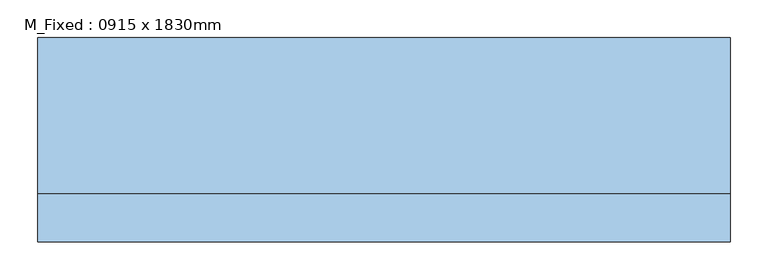
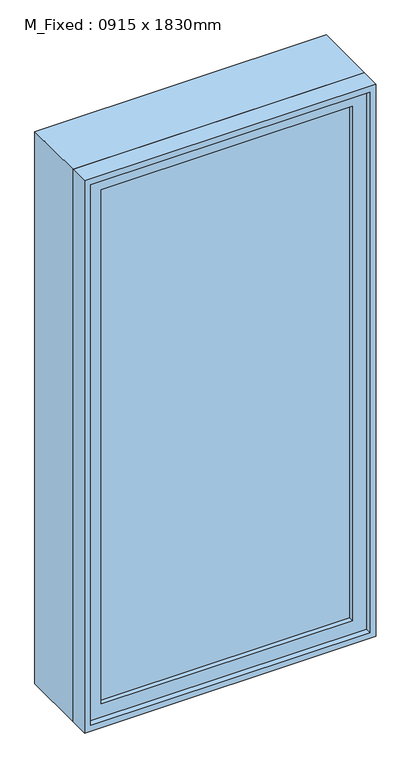
"""IFC4 building model written with IfcOpenShell, lengths in millimetres: window geometry, M_Fixed : 0915 x 1830mm."""

from ifc_helpers import new_model, si_unit, frame, origin, place, context, project, spatial, polyline, outline, extrude, source, transform, mapped, element, save


def m_fixed_0915_x_1830mm_71350e08(model_context):
    return source(origin(), model_context, "Body", "SweptSolid", [
        extrude(outline(polyline([(-394.5, -113.0), (-394.5, -101.0), (394.5, -101.0), (394.5, -113.0), (-394.5, -113.0)])), frame((0.0, 0.0, 368.0), z_axis=(0.0, 0.0, 1.0), x_axis=(1.0, 0.0, 0.0)), (0.0, 0.0, 1.0), 1704.0),
        extrude(outline(polyline([(2116.0, -438.5), (324.0, -438.5), (324.0, 438.5), (2116.0, 438.5), (2116.0, -438.5)]), holes=[polyline([(2072.0, -394.5), (2072.0, 394.5), (368.0, 394.5), (368.0, -394.5), (2072.0, -394.5)])]), frame((0.0, -129.0, 0.0), z_axis=(0.0, 1.0, 0.0), x_axis=(0.0, 0.0, 1.0)), (0.0, 0.0, 1.0), 44.0),
        extrude(outline(polyline([(2135.0, -457.5), (305.0, -457.5), (305.0, 457.5), (2135.0, 457.5), (2135.0, -457.5)]), holes=[polyline([(2116.0, -438.5), (2116.0, 438.5), (324.0, 438.5), (324.0, -438.5), (2116.0, -438.5)])]), frame((0.0, -148.0, 0.0), z_axis=(0.0, 1.0, 0.0), x_axis=(0.0, 0.0, 1.0)), (0.0, 0.0, 1.0), 63.0),
        extrude(outline(polyline([(2135.0, -457.5), (305.0, -457.5), (305.0, 457.5), (2135.0, 457.5), (2135.0, -457.5)]), holes=[polyline([(2103.0, -425.5), (2103.0, 425.5), (337.0, 425.5), (337.0, -425.5), (2103.0, -425.5)])]), frame((0.0, -85.0, 0.0), z_axis=(0.0, 1.0, 0.0), x_axis=(0.0, 0.0, 1.0)), (0.0, 0.0, 1.0), 207.0),
    ])


if __name__ == "__main__":
    model = new_model("IFC4")
    model_context = context("Model", 3, world=origin())
    ifc_project = project(units=[si_unit("LENGTHUNIT", "METRE", prefix="MILLI")], contexts=[model_context])
    site = spatial("IfcSite", under=ifc_project)
    building = spatial("IfcBuilding", under=site)
    placement = place(None, origin())
    m_fixed_0915_x_1830mm_shape = m_fixed_0915_x_1830mm_71350e08(model_context)
    element("IfcWindow", 1, ObjectType="M_Fixed : 0915 x 1830mm", at=placement, inside=building, context=model_context, shape_type="MappedRepresentation", body=[
        mapped(m_fixed_0915_x_1830mm_shape, transform((0.0, 0.0, 0.0), x_axis=(1.0, 0.0, 0.0), y_axis=(0.0, 1.0, 0.0), z_axis=(0.0, 0.0, 1.0))),
    ])
    save(model, "model.ifc")
